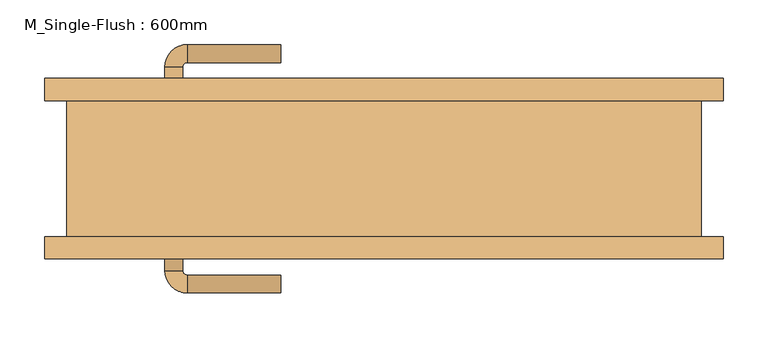
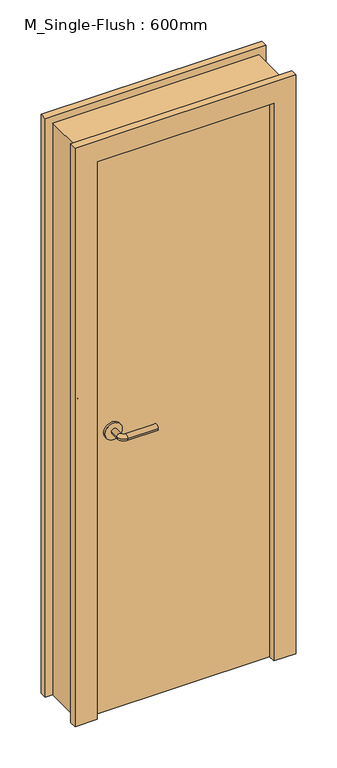
"""IFC4 building model written with IfcOpenShell, lengths in millimetres: door geometry, M_Single-Flush : 600mm."""

from ifc_helpers import new_model, si_unit, point, frame, frame_2d, origin, origin_with_axes, place, context, project, spatial, polyline, circle_curve, ellipse_curve, trimmed, segment, composite_curve, outline, extrude, source, transform, mapped, element, save
from ifc_brep_helpers import plane_surface, cylinder_surface, revolved_surface, advanced_brep


def m_single_flush_600mm_166ca935(model_context):
    return source(origin(), model_context, "Body", "SolidModel", [
        advanced_brep(
        [(-247.3389046, 84.2, 1016.0), (-227.3389046, 84.2, 1016.0), (-247.3389046, 114.2, 1016.0), (-227.3389046, 114.2, 1016.0), (-222.3389046, 119.2, 1016.0), (-222.3389046, 139.2, 1016.0), (-117.3389046, 139.2, 1016.0), (-117.3389046, 119.2, 1016.0)],
        [
            (0, 1, circle_curve(frame((-237.3389046, 84.2, 1016.0), z_axis=(0.0, -1.0, 0.0), x_axis=(1.0, 0.0, 0.0)), 10.0)),
            (1, 0, circle_curve(frame((-237.3389046, 84.2, 1016.0), z_axis=(0.0, -1.0, 0.0), x_axis=(1.0, 0.0, 0.0)), 10.0)),
            (0, 2),
            (2, 3, circle_curve(frame((-237.3389046, 114.2, 1016.0), z_axis=(0.0, -1.0, 0.0), x_axis=(1.0, 0.0, 0.0)), 10.0)),
            (3, 1),
            (3, 2, circle_curve(frame((-237.3389046, 114.2, 1016.0), z_axis=(0.0, -1.0, 0.0), x_axis=(1.0, 0.0, 0.0)), 10.0)),
            (4, 3, circle_curve(frame((-222.3389046, 114.2, 1016.0), z_axis=(0.0, 0.0, 1.0), x_axis=(-1.0, 0.0, 0.0)), 5.0)),
            (2, 5, circle_curve(frame((-222.3389046, 114.2, 1016.0), z_axis=(0.0, 0.0, -1.0), x_axis=(-1.0, 0.0, 0.0)), 25.0)),
            (5, 4, circle_curve(frame((-222.3389046, 129.2, 1016.0), z_axis=(-1.0, 0.0, 0.0), x_axis=(0.0, -1.0, 0.0)), 10.0)),
            (4, 5, circle_curve(frame((-222.3389046, 129.2, 1016.0), z_axis=(-1.0, 0.0, 0.0), x_axis=(0.0, -1.0, 0.0)), 10.0)),
            (6, 7, circle_curve(frame((-117.3389046, 129.2, 1016.0), z_axis=(1.0, 0.0, 0.0), x_axis=(0.0, -1.0, 0.0)), 10.0)),
            (7, 6, circle_curve(frame((-117.3389046, 129.2, 1016.0), z_axis=(1.0, 0.0, 0.0), x_axis=(0.0, -1.0, 0.0)), 10.0)),
            (5, 6),
            (7, 4),
        ],
        [
            plane_surface(frame((-237.3389046, 84.2, 1016.0), z_axis=(0.0, -1.0, 0.0), x_axis=(0.0, 0.0, 1.0))),
            cylinder_surface(frame((-237.3389046, 84.2, 1016.0), z_axis=(0.0, -1.0, 0.0), x_axis=(1.0, 0.0, 0.0)), 10.0),
            revolved_surface(trimmed(ellipse_curve(frame((-237.3389046, 114.2, 1016.0), z_axis=(0.0, -1.0, 0.0), x_axis=(1.0, 0.0, 0.0)), 10.0, 10.0), [point((-247.3389046, 114.2, 1016.0))], [point((-227.3389046, 114.2, 1016.0))], True, "CARTESIAN"), (-222.3389046, 114.2, 1016.0), (0.0, 0.0, -1.0)),
            revolved_surface(trimmed(ellipse_curve(frame((-237.3389046, 114.2, 1016.0), z_axis=(0.0, -1.0, 0.0), x_axis=(1.0, 0.0, 0.0)), 10.0, 10.0), [point((-227.3389046, 114.2, 1016.0))], [point((-247.3389046, 114.2, 1016.0))], True, "CARTESIAN"), (-222.3389046, 114.2, 1016.0), (0.0, 0.0, -1.0)),
            plane_surface(frame((-117.3389046, 129.2, 1016.0), z_axis=(1.0, 0.0, 0.0), x_axis=(0.0, 0.0, 1.0))),
            cylinder_surface(frame((-222.3389046, 129.2, 1016.0), z_axis=(-1.0, 0.0, 0.0), x_axis=(0.0, -1.0, 0.0)), 10.0),
        ],
        [
            (0, [[1, 2]]),
            (1, [[-1, 3, 4, 5]]),
            (1, [[-2, -5, 6, -3]]),
            (2, [[7, -4, 8, 9]]),
            (3, [[-8, -6, -7, 10]]),
            (4, [[11, 12]]),
            (5, [[-9, 13, -12, 14]]),
            (5, [[-10, -14, -11, -13]]),
        ],
    ),
        extrude(outline(composite_curve([segment(trimmed(circle_curve(frame_2d((1016.0, -239.8389046)), 30.0), [point((1016.0, -269.8389046))], [point((1016.0, -209.8389046))], False, "CARTESIAN"), True, "CONTINUOUS"), segment(trimmed(circle_curve(frame_2d((1016.0, -239.8389046)), 30.0), [point((1016.0, -209.8389046))], [point((1016.0, -269.8389046))], False, "CARTESIAN"), True, "CONTINUOUS")], self_intersect=False)), frame((0.0, 76.2, 0.0), z_axis=(0.0, 1.0, 0.0), x_axis=(0.0, 0.0, 1.0)), (0.0, 0.0, 1.0), 8.0),
        advanced_brep(
        [(-247.3389046, -84.2, 1016.0), (-227.3389046, -84.2, 1016.0), (-227.3389046, -114.2, 1016.0), (-247.3389046, -114.2, 1016.0), (-222.3389046, -119.2, 1016.0), (-222.3389046, -139.2, 1016.0), (-117.3389046, -139.2, 1016.0), (-117.3389046, -119.2, 1016.0)],
        [
            (0, 1, circle_curve(frame((-237.3389046, -84.2, 1016.0), z_axis=(0.0, 1.0, 0.0), x_axis=(1.0, 0.0, 0.0)), 10.0)),
            (1, 0, circle_curve(frame((-237.3389046, -84.2, 1016.0), z_axis=(0.0, 1.0, 0.0), x_axis=(1.0, 0.0, 0.0)), 10.0)),
            (1, 2),
            (2, 3, circle_curve(frame((-237.3389046, -114.2, 1016.0), z_axis=(0.0, 1.0, 0.0), x_axis=(1.0, 0.0, 0.0)), 10.0)),
            (3, 0),
            (3, 2, circle_curve(frame((-237.3389046, -114.2, 1016.0), z_axis=(0.0, 1.0, 0.0), x_axis=(1.0, 0.0, 0.0)), 10.0)),
            (4, 5, circle_curve(frame((-222.3389046, -129.2, 1016.0), z_axis=(-1.0, 0.0, 0.0), x_axis=(0.0, 1.0, 0.0)), 10.0)),
            (5, 3, circle_curve(frame((-222.3389046, -114.2, 1016.0), z_axis=(0.0, 0.0, -1.0), x_axis=(-1.0, 0.0, 0.0)), 25.0)),
            (2, 4, circle_curve(frame((-222.3389046, -114.2, 1016.0), z_axis=(0.0, 0.0, 1.0), x_axis=(-1.0, 0.0, 0.0)), 5.0)),
            (5, 4, circle_curve(frame((-222.3389046, -129.2, 1016.0), z_axis=(-1.0, 0.0, 0.0), x_axis=(0.0, 1.0, 0.0)), 10.0)),
            (6, 7, circle_curve(frame((-117.3389046, -129.2, 1016.0), z_axis=(1.0, 0.0, 0.0), x_axis=(0.0, 1.0, 0.0)), 10.0)),
            (7, 6, circle_curve(frame((-117.3389046, -129.2, 1016.0), z_axis=(1.0, 0.0, 0.0), x_axis=(0.0, 1.0, 0.0)), 10.0)),
            (4, 7),
            (6, 5),
        ],
        [
            plane_surface(frame((-237.3389046, -84.2, 1016.0), z_axis=(0.0, 1.0, 0.0), x_axis=(0.0, 0.0, 1.0))),
            cylinder_surface(frame((-237.3389046, -84.2, 1016.0), z_axis=(0.0, 1.0, 0.0), x_axis=(1.0, 0.0, 0.0)), 10.0),
            revolved_surface(trimmed(ellipse_curve(frame((-237.3389046, -114.2, 1016.0), z_axis=(0.0, -1.0, 0.0), x_axis=(1.0, 0.0, 0.0)), 10.0, 10.0), [point((-247.3389046, -114.2, 1016.0))], [point((-227.3389046, -114.2, 1016.0))], True, "CARTESIAN"), (-222.3389046, -114.2, 1016.0), (0.0, 0.0, -1.0)),
            revolved_surface(trimmed(ellipse_curve(frame((-237.3389046, -114.2, 1016.0), z_axis=(0.0, -1.0, 0.0), x_axis=(1.0, 0.0, 0.0)), 10.0, 10.0), [point((-227.3389046, -114.2, 1016.0))], [point((-247.3389046, -114.2, 1016.0))], True, "CARTESIAN"), (-222.3389046, -114.2, 1016.0), (0.0, 0.0, -1.0)),
            plane_surface(frame((-117.3389046, -129.2, 1016.0), z_axis=(1.0, 0.0, 0.0), x_axis=(0.0, 0.0, 1.0))),
            cylinder_surface(frame((-222.3389046, -129.2, 1016.0), z_axis=(-1.0, 0.0, 0.0), x_axis=(0.0, 1.0, 0.0)), 10.0),
        ],
        [
            (0, [[1, 2]]),
            (1, [[3, 4, 5, -2]]),
            (1, [[-5, 6, -3, -1]]),
            (2, [[7, 8, -4, 9]]),
            (3, [[10, -9, -6, -8]]),
            (4, [[11, 12]]),
            (5, [[13, -11, 14, -7]]),
            (5, [[-14, -12, -13, -10]]),
        ],
    ),
        extrude(outline(composite_curve([segment(trimmed(circle_curve(frame_2d((1016.0, -239.8389046)), 30.0), [point((1016.0, -269.8389046))], [point((1016.0, -209.8389046))], False, "CARTESIAN"), True, "CONTINUOUS"), segment(trimmed(circle_curve(frame_2d((1016.0, -239.8389046)), 30.0), [point((1016.0, -209.8389046))], [point((1016.0, -269.8389046))], False, "CARTESIAN"), True, "CONTINUOUS")], self_intersect=False)), frame((0.0, -84.2, 0.0), z_axis=(0.0, 1.0, 0.0), x_axis=(0.0, 0.0, 1.0)), (0.0, 0.0, 1.0), 8.0),
        extrude(outline(polyline([(2108.0, -382.3482796), (0.0, -382.3482796), (0.0, -306.3482796), (2032.0, -306.3482796), (2032.0, 303.2517204), (0.0, 303.2517204), (0.0, 379.2517204), (2108.0, 379.2517204), (2108.0, -382.3482796)])), frame((0.0, -101.2, 0.0), z_axis=(0.0, 1.0, 0.0), x_axis=(0.0, 0.0, 1.0)), (0.0, 0.0, 1.0), 25.0),
        extrude(outline(polyline([(2108.0, 379.2517204), (2108.0, -382.3482796), (0.0, -382.3482796), (0.0, -306.3482796), (2032.0, -306.3482796), (2032.0, 303.2517204), (0.0, 303.2517204), (0.0, 379.2517204), (2108.0, 379.2517204)])), frame((0.0, 76.2, 0.0), z_axis=(0.0, 1.0, 0.0), x_axis=(0.0, 0.0, 1.0)), (0.0, 0.0, 1.0), 25.0),
        extrude(outline(polyline([(303.2517204, 76.2), (303.2517204, -76.2), (-306.3482796, -76.2), (-306.3482796, 76.2), (303.2517204, 76.2)])), origin_with_axes(), (0.0, 0.0, 1.0), 2032.0),
        extrude(outline(polyline([(0.0, 354.2517204), (2083.0, 354.2517204), (2083.0, -357.3482796), (0.0, -357.3482796), (0.0, -306.3482796), (2032.0, -306.3482796), (2032.0, 303.2517204), (0.0, 303.2517204), (0.0, 354.2517204)])), frame((0.0, -76.2, 0.0), z_axis=(0.0, 1.0, 0.0), x_axis=(0.0, 0.0, 1.0)), (0.0, 0.0, 1.0), 152.4),
    ])


if __name__ == "__main__":
    model = new_model("IFC4")
    model_context = context("Model", 3, world=origin())
    ifc_project = project(units=[si_unit("LENGTHUNIT", "METRE", prefix="MILLI")], contexts=[model_context])
    site = spatial("IfcSite", under=ifc_project)
    building = spatial("IfcBuilding", under=site)
    placement = place(None, origin())
    m_single_flush_600mm_shape = m_single_flush_600mm_166ca935(model_context)
    element("IfcDoor", 1, ObjectType="M_Single-Flush : 600mm", at=placement, inside=building, context=model_context, shape_type="MappedRepresentation", body=[
        mapped(m_single_flush_600mm_shape, transform((0.0, 0.0, 0.0), x_axis=(1.0, 0.0, 0.0), y_axis=(0.0, 1.0, 0.0), z_axis=(0.0, 0.0, 1.0))),
    ])
    save(model, "model.ifc")
